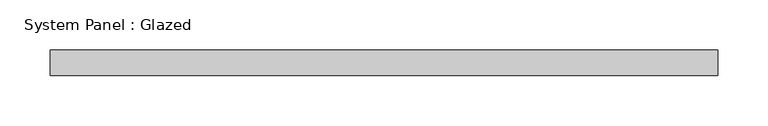
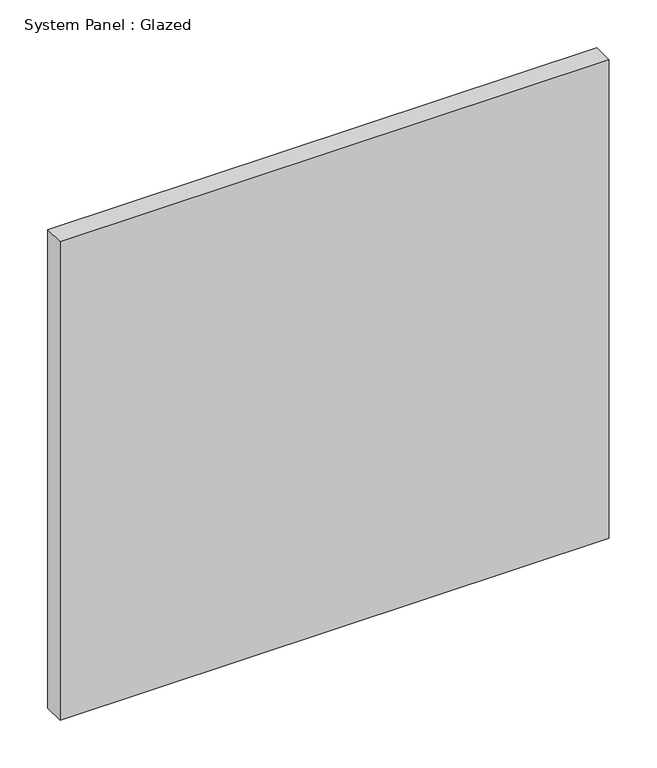
"""IFC4 building model written with IfcOpenShell, lengths in millimetres: plate geometry, System Panel : Glazed."""

import ifcopenshell
import ifcopenshell.guid

model = None  # the IFC model being written
_history = None  # IfcOwnerHistory: only IFC2X3 demands one
_inside = {}  # id of a spatial element -> (the spatial element, [elements in it])
_under = {}  # id of a project, library or spatial element -> (it, [spatial elements below it])
_declared = {}  # id of a project -> (the project, [libraries it declares])
_typed = {}  # id of a type object -> (the type object, [elements of that type])
_made_of = {}  # id of a material, layer set ... -> (it, [elements and type objects made of it])


def new_model(schema):
    """Start an empty IFC model of exactly this schema.

    Asked for "IFC4X3", IfcOpenShell would pick the latest addendum, in which some entities
    have other attributes; the version numbers below select the first issue.
    IFC2X3 requires an IfcOwnerHistory on every rooted entity: one is made here for all.
    """
    global model, _history
    if schema == "IFC4X3":
        model = ifcopenshell.file(schema_version=(4, 3, 0, 0))
    else:
        model = ifcopenshell.file(schema=schema)
    _inside.clear()
    _under.clear()
    _declared.clear()
    _typed.clear()
    _made_of.clear()
    _history = None
    if model.schema == "IFC2X3":
        org = make("IfcOrganization", Name="unknown")
        user = make(
            "IfcPersonAndOrganization",
            ThePerson=make("IfcPerson", FamilyName="unknown"),
            TheOrganization=org,
        )
        app = make(
            "IfcApplication",
            ApplicationDeveloper=org,
            Version="unknown",
            ApplicationFullName="unknown",
            ApplicationIdentifier="unknown",
        )
        _history = make(
            "IfcOwnerHistory",
            OwningUser=user,
            OwningApplication=app,
            ChangeAction="ADDED",
            CreationDate=0,
        )
    return model


def make(cls, **values):
    """One entity of the class cls with the attributes given. An attribute that is None is left unset."""
    return model.create_entity(
        cls, **{name: value for name, value in values.items() if value is not None}
    )


def rooted(cls, **values):
    """An entity with a GlobalId (a new one), such as an element, a storey or a relation."""
    return make(cls, GlobalId=ifcopenshell.guid.new(), OwnerHistory=_history, **values)


def si_unit(unit_type, name, prefix=None):
    """IfcSIUnit, for example si_unit("LENGTHUNIT", "METRE", prefix="MILLI")."""
    return make("IfcSIUnit", UnitType=unit_type, Prefix=prefix, Name=name)


def assignment(units):
    """IfcUnitAssignment: the units of a project."""
    return None if units is None else make("IfcUnitAssignment", Units=units)


def point(xyz):
    """IfcCartesianPoint."""
    return None if xyz is None else make("IfcCartesianPoint", Coordinates=xyz)


def direction(xyz):
    """IfcDirection."""
    return None if xyz is None else make("IfcDirection", DirectionRatios=xyz)


def frame(location, z_axis=None, x_axis=None):
    """IfcAxis2Placement3D, a coordinate frame: its origin and axes. An axis left out is left unset."""
    return make(
        "IfcAxis2Placement3D",
        Location=point(location),
        Axis=direction(z_axis),
        RefDirection=direction(x_axis),
    )


def origin():
    """The frame at (0, 0, 0) with its axes left unset."""
    return frame((0.0, 0.0, 0.0))


def origin_with_axes():
    """The frame at (0, 0, 0) with the z axis (0, 0, 1) and the x axis (1, 0, 0) written out."""
    return frame((0.0, 0.0, 0.0), z_axis=(0.0, 0.0, 1.0), x_axis=(1.0, 0.0, 0.0))


def place(relative_to, where):
    """IfcLocalPlacement: puts the frame where relative to a parent placement (None: the world)."""
    return make(
        "IfcLocalPlacement", PlacementRelTo=relative_to, RelativePlacement=where
    )


def context(
    kind, dimensions, precision=None, world=None, true_north=None, identifier=None
):
    """IfcGeometricRepresentationContext, for example the 3D "Model" context."""
    return make(
        "IfcGeometricRepresentationContext",
        ContextIdentifier=identifier,
        ContextType=kind,
        CoordinateSpaceDimension=dimensions,
        Precision=precision,
        WorldCoordinateSystem=world,
        TrueNorth=true_north,
    )


def project(units=None, contexts=None):
    """IfcProject with its units and contexts."""
    return rooted(
        "IfcProject",
        Name="project",
        RepresentationContexts=contexts,
        UnitsInContext=assignment(units),
    )


def spatial(cls, under=None, at=None, **own):
    """A site, building, storey or space (cls), placed at a placement, below another one or the project."""
    s = rooted(cls, ObjectPlacement=at, **own)
    if under is not None:
        _under.setdefault(under.id(), (under, []))[1].append(s)
    return s


def polyline(points):
    """IfcPolyline through the points."""
    return make("IfcPolyline", Points=[point(p) for p in points])


def outline(outer, holes=None, kind="AREA"):
    """IfcArbitraryClosedProfileDef: a profile drawn as a closed curve; with holes, ...WithVoids."""
    if holes is None:
        return make("IfcArbitraryClosedProfileDef", ProfileType=kind, OuterCurve=outer)
    return make(
        "IfcArbitraryProfileDefWithVoids",
        ProfileType=kind,
        OuterCurve=outer,
        InnerCurves=holes,
    )


def extrude(swept, where, along, depth):
    """IfcExtrudedAreaSolid: the profile swept, set in the frame where, extruded along a direction by depth."""
    return make(
        "IfcExtrudedAreaSolid",
        SweptArea=swept,
        Position=where,
        ExtrudedDirection=direction(along),
        Depth=depth,
    )


def shape(context_of_items, identifier, shape_type, items):
    """IfcShapeRepresentation: the items that make up one representation, for example the "Body"."""
    return make(
        "IfcShapeRepresentation",
        ContextOfItems=context_of_items,
        RepresentationIdentifier=identifier,
        RepresentationType=shape_type,
        Items=items,
    )


def source(mapping_origin, context_of_items, identifier, shape_type, items):
    """IfcRepresentationMap: a shape defined once, which mapped items show again and again."""
    return make(
        "IfcRepresentationMap",
        MappingOrigin=mapping_origin,
        MappedRepresentation=shape(context_of_items, identifier, shape_type, items),
    )


def transform(
    local_origin,
    x_axis=None,
    y_axis=None,
    z_axis=None,
    scale=None,
    scale2=None,
    scale3=None,
    uniform=True,
):
    """IfcCartesianTransformationOperator3D, or its non-uniform kind. x_axis, y_axis, z_axis: its Axis1, 2, 3."""
    if uniform:
        return make(
            "IfcCartesianTransformationOperator3D",
            Axis1=direction(x_axis),
            Axis2=direction(y_axis),
            LocalOrigin=point(local_origin),
            Scale=scale,
            Axis3=direction(z_axis),
        )
    return make(
        "IfcCartesianTransformationOperator3DnonUniform",
        Axis1=direction(x_axis),
        Axis2=direction(y_axis),
        LocalOrigin=point(local_origin),
        Scale=scale,
        Axis3=direction(z_axis),
        Scale2=scale2,
        Scale3=scale3,
    )


def mapped(mapping_source, mapping_target):
    """IfcMappedItem: shows the shape of a source again, moved by a transform."""
    return make(
        "IfcMappedItem", MappingSource=mapping_source, MappingTarget=mapping_target
    )


def made_of(thing, what):
    """Note that an element or type object is made of a material, layer set ...; save() writes the relation."""
    if what is not None:
        _made_of.setdefault(what.id(), (what, []))[1].append(thing)
    return thing


def element(
    cls,
    number,
    at=None,
    inside=None,
    cuts=None,
    type_object=None,
    material=None,
    context=None,
    identifier="Body",
    shape_type=None,
    held_by="IfcProductDefinitionShape",
    body=None,
    shapes=None,
    **own,
):
    """One element of the class cls, such as IfcWall. Its Tag is "e" and its number.

    at: its placement. inside: the storey or other place that contains it. cuts: it is an
    opening in that element (IfcRelVoidsElement). A single representation is given by context,
    identifier, shape_type and body (its items); several are given by shapes. held_by: the class
    of the entity that holds the representations. save() writes the other relations.
    """
    e = rooted(cls, Tag="e%d" % number, ObjectPlacement=at, **own)
    if body is not None:
        shapes = [shape(context, identifier, shape_type, body)]
    if shapes is not None:
        e.Representation = make(held_by, Representations=shapes)
    if inside is not None:
        _inside.setdefault(inside.id(), (inside, []))[1].append(e)
    if cuts is not None:
        rooted(
            "IfcRelVoidsElement", RelatingBuildingElement=cuts, RelatedOpeningElement=e
        )
    if type_object is not None:
        _typed.setdefault(type_object.id(), (type_object, []))[1].append(e)
    return made_of(e, material)


def aggregate(whole, parts):
    """IfcRelAggregates: a whole, such as a stair, and the parts it consists of."""
    return rooted("IfcRelAggregates", RelatingObject=whole, RelatedObjects=parts)


def save(model, path):
    """Write the relations noted so far, then the file.

    IfcRelAggregates (storeys below a building ...), IfcRelContainedInSpatialStructure (elements
    in a storey), IfcRelDefinesByType, IfcRelAssociatesMaterial and IfcRelDeclares: one each for
    every whole, place, type object, material and project.
    """
    for whole, parts in _under.values():
        aggregate(whole, parts)
    for where, things in _inside.values():
        rooted(
            "IfcRelContainedInSpatialStructure",
            RelatedElements=things,
            RelatingStructure=where,
        )
    for kind, things in _typed.values():
        rooted("IfcRelDefinesByType", RelatedObjects=things, RelatingType=kind)
    for what, things in _made_of.values():
        rooted("IfcRelAssociatesMaterial", RelatedObjects=things, RelatingMaterial=what)
    for by, libraries in _declared.values():
        rooted("IfcRelDeclares", RelatingContext=by, RelatedDefinitions=libraries)
    model.write(path)


def system_panel_glazed_bece7ce1(model_context):
    return source(origin(), model_context, "Body", "SweptSolid", [
        extrude(outline(polyline([(331.132211, 19.05), (-331.132211, 19.05), (-331.132211, 44.45), (331.132211, 44.45), (331.132211, 19.05)])), origin_with_axes(), (0.0, 0.0, 1.0), 609.6),
    ])


if __name__ == "__main__":
    model = new_model("IFC4")
    model_context = context("Model", 3, world=origin())
    ifc_project = project(units=[si_unit("LENGTHUNIT", "METRE", prefix="MILLI")], contexts=[model_context])
    site = spatial("IfcSite", under=ifc_project)
    building = spatial("IfcBuilding", under=site)
    placement = place(None, origin())
    system_panel_glazed_shape = system_panel_glazed_bece7ce1(model_context)
    element("IfcPlate", 1, ObjectType="System Panel : Glazed", at=placement, inside=building, context=model_context, shape_type="MappedRepresentation", body=[
        mapped(system_panel_glazed_shape, transform((0.0, 0.0, 0.0), x_axis=(1.0, 0.0, 0.0), y_axis=(0.0, 1.0, 0.0), z_axis=(0.0, 0.0, 1.0))),
    ])
    save(model, "model.ifc")
